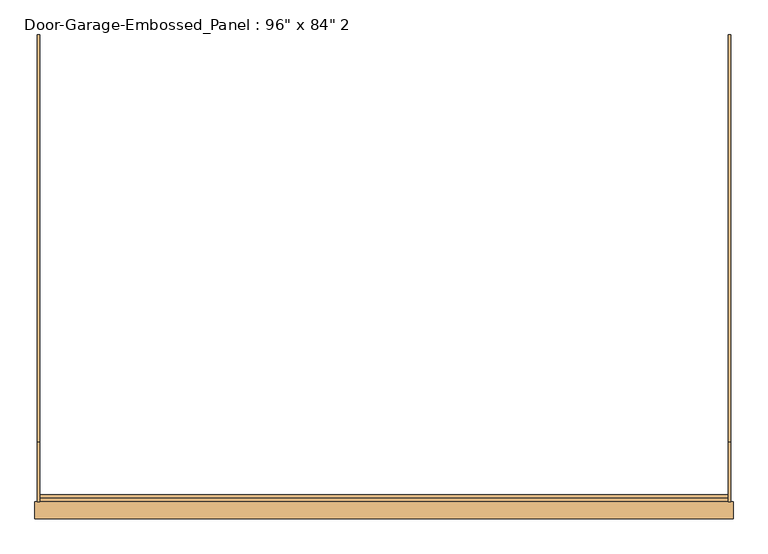
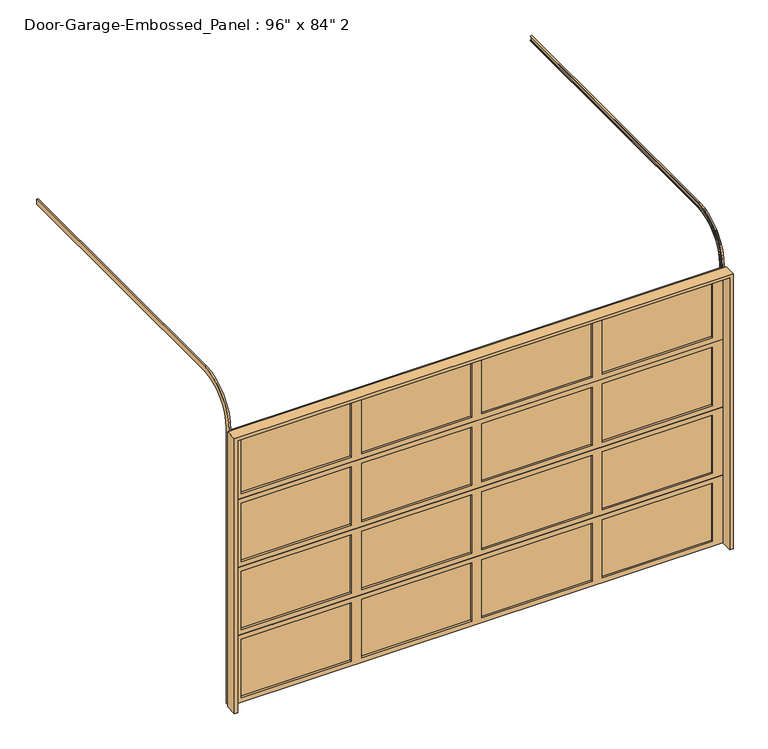
"""IFC4 building model written with IfcOpenShell, lengths in millimetres: door geometry."""

from ifc_helpers import new_model, si_unit, frame, origin, place, context, project, spatial, polyline, circle_curve, outline, extrude, faceted_brep, source, transform, mapped, element, save
from ifc_brep_helpers import plane_surface, cylinder_surface, revolved_surface, advanced_brep


def door_a3d343f7(model_context):
    return source(origin(), model_context, "Body", "SolidModel", [
        extrude(outline(polyline([(855.6625, 63.5), (38.1, 63.5), (38.1, 69.85), (855.6625, 69.85), (855.6625, 63.5)])), frame((0.0, 0.0, 1638.3), z_axis=(0.0, 0.0, 1.0), x_axis=(1.0, 0.0, 0.0)), (0.0, 0.0, 1.0), 457.2),
        extrude(outline(polyline([(-38.1, 63.5), (-855.6625, 63.5), (-855.6625, 69.85), (-38.1, 69.85), (-38.1, 63.5)])), frame((0.0, 0.0, 1638.3), z_axis=(0.0, 0.0, 1.0), x_axis=(1.0, 0.0, 0.0)), (0.0, 0.0, 1.0), 457.2),
        extrude(outline(polyline([(1749.425, 63.5), (931.8625, 63.5), (931.8625, 69.85), (1749.425, 69.85), (1749.425, 63.5)])), frame((0.0, 0.0, 1638.3), z_axis=(0.0, 0.0, 1.0), x_axis=(1.0, 0.0, 0.0)), (0.0, 0.0, 1.0), 457.2),
        extrude(outline(polyline([(-931.8625, 63.5), (-1749.425, 63.5), (-1749.425, 69.85), (-931.8625, 69.85), (-931.8625, 63.5)])), frame((0.0, 0.0, 1638.3), z_axis=(0.0, 0.0, 1.0), x_axis=(1.0, 0.0, 0.0)), (0.0, 0.0, 1.0), 457.2),
        faceted_brep([(1825.625, 69.85, 2136.775), (1825.625, 69.85, 2130.425), (1825.625, 47.625, 2130.425), (1825.625, 47.625, 1600.2), (1825.625, 63.5, 1600.2), (1825.625, 63.5, 1606.55), (1825.625, 85.725, 1606.55), (1825.625, 85.725, 2136.775), (-1825.625, 85.725, 2136.775), (-1825.625, 85.725, 1606.55), (-1825.625, 63.5, 1606.55), (-1825.625, 63.5, 1600.2), (-1825.625, 47.625, 1600.2), (-1825.625, 47.625, 2130.425), (-1825.625, 69.85, 2130.425), (-1825.625, 69.85, 2136.775), (931.8625, 85.725, 2095.5), (931.8625, 85.725, 1638.3), (1749.425, 85.725, 1638.3), (1749.425, 85.725, 2095.5), (-855.6625, 85.725, 2095.5), (-855.6625, 85.725, 1638.3), (-38.1, 85.725, 1638.3), (-38.1, 85.725, 2095.5), (38.1, 85.725, 2095.5), (38.1, 85.725, 1638.3), (855.6625, 85.725, 1638.3), (855.6625, 85.725, 2095.5), (-1749.425, 85.725, 2095.5), (-1749.425, 85.725, 1638.3), (-931.8625, 85.725, 1638.3), (-931.8625, 85.725, 2095.5), (1749.425, 47.625, 2095.5), (1749.425, 47.625, 1638.3), (931.8625, 47.625, 1638.3), (931.8625, 47.625, 2095.5), (-38.1, 47.625, 2095.5), (-38.1, 47.625, 1638.3), (-855.6625, 47.625, 1638.3), (-855.6625, 47.625, 2095.5), (855.6625, 47.625, 2095.5), (855.6625, 47.625, 1638.3), (38.1, 47.625, 1638.3), (38.1, 47.625, 2095.5), (-931.8625, 47.625, 2095.5), (-931.8625, 47.625, 1638.3), (-1749.425, 47.625, 1638.3), (-1749.425, 47.625, 2095.5)], [[[0, 1, 2, 3, 4, 5, 6, 7]], [[8, 9, 10, 11, 12, 13, 14, 15]], [[7, 8, 15, 0]], [[6, 9, 8, 7], [16, 17, 18, 19], [20, 21, 22, 23], [24, 25, 26, 27], [28, 29, 30, 31]], [[5, 10, 9, 6]], [[4, 11, 10, 5]], [[3, 12, 11, 4]], [[2, 13, 12, 3], [32, 33, 34, 35], [36, 37, 38, 39], [40, 41, 42, 43], [44, 45, 46, 47]], [[1, 14, 13, 2]], [[0, 15, 14, 1]], [[16, 19, 32, 35]], [[35, 34, 17, 16]], [[34, 33, 18, 17]], [[19, 18, 33, 32]], [[20, 23, 36, 39]], [[39, 38, 21, 20]], [[38, 37, 22, 21]], [[23, 22, 37, 36]], [[24, 27, 40, 43]], [[43, 42, 25, 24]], [[42, 41, 26, 25]], [[27, 26, 41, 40]], [[28, 31, 44, 47]], [[47, 46, 29, 28]], [[46, 45, 30, 29]], [[31, 30, 45, 44]]]),
        extrude(outline(polyline([(855.6625, 63.5), (38.1, 63.5), (38.1, 69.85), (855.6625, 69.85), (855.6625, 63.5)])), frame((0.0, 0.0, 1104.9), z_axis=(0.0, 0.0, 1.0), x_axis=(1.0, 0.0, 0.0)), (0.0, 0.0, 1.0), 457.2),
        extrude(outline(polyline([(-38.1, 63.5), (-855.6625, 63.5), (-855.6625, 69.85), (-38.1, 69.85), (-38.1, 63.5)])), frame((0.0, 0.0, 1104.9), z_axis=(0.0, 0.0, 1.0), x_axis=(1.0, 0.0, 0.0)), (0.0, 0.0, 1.0), 457.2),
        extrude(outline(polyline([(1749.425, 63.5), (931.8625, 63.5), (931.8625, 69.85), (1749.425, 69.85), (1749.425, 63.5)])), frame((0.0, 0.0, 1104.9), z_axis=(0.0, 0.0, 1.0), x_axis=(1.0, 0.0, 0.0)), (0.0, 0.0, 1.0), 457.2),
        extrude(outline(polyline([(-931.8625, 63.5), (-1749.425, 63.5), (-1749.425, 69.85), (-931.8625, 69.85), (-931.8625, 63.5)])), frame((0.0, 0.0, 1104.9), z_axis=(0.0, 0.0, 1.0), x_axis=(1.0, 0.0, 0.0)), (0.0, 0.0, 1.0), 457.2),
        faceted_brep([(1825.625, 69.85, 1603.375), (1825.625, 69.85, 1597.025), (1825.625, 47.625, 1597.025), (1825.625, 47.625, 1066.8), (1825.625, 63.5, 1066.8), (1825.625, 63.5, 1073.15), (1825.625, 85.725, 1073.15), (1825.625, 85.725, 1603.375), (-1825.625, 85.725, 1603.375), (-1825.625, 85.725, 1073.15), (-1825.625, 63.5, 1073.15), (-1825.625, 63.5, 1066.8), (-1825.625, 47.625, 1066.8), (-1825.625, 47.625, 1597.025), (-1825.625, 69.85, 1597.025), (-1825.625, 69.85, 1603.375), (931.8625, 85.725, 1562.1), (931.8625, 85.725, 1104.9), (1749.425, 85.725, 1104.9), (1749.425, 85.725, 1562.1), (-855.6625, 85.725, 1562.1), (-855.6625, 85.725, 1104.9), (-38.1, 85.725, 1104.9), (-38.1, 85.725, 1562.1), (38.1, 85.725, 1562.1), (38.1, 85.725, 1104.9), (855.6625, 85.725, 1104.9), (855.6625, 85.725, 1562.1), (-1749.425, 85.725, 1562.1), (-1749.425, 85.725, 1104.9), (-931.8625, 85.725, 1104.9), (-931.8625, 85.725, 1562.1), (1749.425, 47.625, 1562.1), (1749.425, 47.625, 1104.9), (931.8625, 47.625, 1104.9), (931.8625, 47.625, 1562.1), (-38.1, 47.625, 1562.1), (-38.1, 47.625, 1104.9), (-855.6625, 47.625, 1104.9), (-855.6625, 47.625, 1562.1), (855.6625, 47.625, 1562.1), (855.6625, 47.625, 1104.9), (38.1, 47.625, 1104.9), (38.1, 47.625, 1562.1), (-931.8625, 47.625, 1562.1), (-931.8625, 47.625, 1104.9), (-1749.425, 47.625, 1104.9), (-1749.425, 47.625, 1562.1)], [[[0, 1, 2, 3, 4, 5, 6, 7]], [[8, 9, 10, 11, 12, 13, 14, 15]], [[7, 8, 15, 0]], [[6, 9, 8, 7], [16, 17, 18, 19], [20, 21, 22, 23], [24, 25, 26, 27], [28, 29, 30, 31]], [[5, 10, 9, 6]], [[4, 11, 10, 5]], [[3, 12, 11, 4]], [[2, 13, 12, 3], [32, 33, 34, 35], [36, 37, 38, 39], [40, 41, 42, 43], [44, 45, 46, 47]], [[1, 14, 13, 2]], [[0, 15, 14, 1]], [[16, 19, 32, 35]], [[35, 34, 17, 16]], [[34, 33, 18, 17]], [[19, 18, 33, 32]], [[20, 23, 36, 39]], [[39, 38, 21, 20]], [[38, 37, 22, 21]], [[23, 22, 37, 36]], [[24, 27, 40, 43]], [[43, 42, 25, 24]], [[42, 41, 26, 25]], [[27, 26, 41, 40]], [[28, 31, 44, 47]], [[47, 46, 29, 28]], [[46, 45, 30, 29]], [[31, 30, 45, 44]]]),
        extrude(outline(polyline([(855.6625, 63.5), (38.1, 63.5), (38.1, 69.85), (855.6625, 69.85), (855.6625, 63.5)])), frame((0.0, 0.0, 571.5), z_axis=(0.0, 0.0, 1.0), x_axis=(1.0, 0.0, 0.0)), (0.0, 0.0, 1.0), 457.2),
        extrude(outline(polyline([(-38.1, 63.5), (-855.6625, 63.5), (-855.6625, 69.85), (-38.1, 69.85), (-38.1, 63.5)])), frame((0.0, 0.0, 571.5), z_axis=(0.0, 0.0, 1.0), x_axis=(1.0, 0.0, 0.0)), (0.0, 0.0, 1.0), 457.2),
        extrude(outline(polyline([(1749.425, 63.5), (931.8625, 63.5), (931.8625, 69.85), (1749.425, 69.85), (1749.425, 63.5)])), frame((0.0, 0.0, 571.5), z_axis=(0.0, 0.0, 1.0), x_axis=(1.0, 0.0, 0.0)), (0.0, 0.0, 1.0), 457.2),
        extrude(outline(polyline([(-931.8625, 63.5), (-1749.425, 63.5), (-1749.425, 69.85), (-931.8625, 69.85), (-931.8625, 63.5)])), frame((0.0, 0.0, 571.5), z_axis=(0.0, 0.0, 1.0), x_axis=(1.0, 0.0, 0.0)), (0.0, 0.0, 1.0), 457.2),
        faceted_brep([(1825.625, 69.85, 1069.975), (1825.625, 69.85, 1063.625), (1825.625, 47.625, 1063.625), (1825.625, 47.625, 533.4), (1825.625, 63.5, 533.4), (1825.625, 63.5, 539.75), (1825.625, 85.725, 539.75), (1825.625, 85.725, 1069.975), (-1825.625, 85.725, 1069.975), (-1825.625, 85.725, 539.75), (-1825.625, 63.5, 539.75), (-1825.625, 63.5, 533.4), (-1825.625, 47.625, 533.4), (-1825.625, 47.625, 1063.625), (-1825.625, 69.85, 1063.625), (-1825.625, 69.85, 1069.975), (931.8625, 85.725, 1028.7), (931.8625, 85.725, 571.5), (1749.425, 85.725, 571.5), (1749.425, 85.725, 1028.7), (-855.6625, 85.725, 1028.7), (-855.6625, 85.725, 571.5), (-38.1, 85.725, 571.5), (-38.1, 85.725, 1028.7), (38.1, 85.725, 1028.7), (38.1, 85.725, 571.5), (855.6625, 85.725, 571.5), (855.6625, 85.725, 1028.7), (-1749.425, 85.725, 1028.7), (-1749.425, 85.725, 571.5), (-931.8625, 85.725, 571.5), (-931.8625, 85.725, 1028.7), (1749.425, 47.625, 1028.7), (1749.425, 47.625, 571.5), (931.8625, 47.625, 571.5), (931.8625, 47.625, 1028.7), (-38.1, 47.625, 1028.7), (-38.1, 47.625, 571.5), (-855.6625, 47.625, 571.5), (-855.6625, 47.625, 1028.7), (855.6625, 47.625, 1028.7), (855.6625, 47.625, 571.5), (38.1, 47.625, 571.5), (38.1, 47.625, 1028.7), (-931.8625, 47.625, 1028.7), (-931.8625, 47.625, 571.5), (-1749.425, 47.625, 571.5), (-1749.425, 47.625, 1028.7)], [[[0, 1, 2, 3, 4, 5, 6, 7]], [[8, 9, 10, 11, 12, 13, 14, 15]], [[7, 8, 15, 0]], [[6, 9, 8, 7], [16, 17, 18, 19], [20, 21, 22, 23], [24, 25, 26, 27], [28, 29, 30, 31]], [[5, 10, 9, 6]], [[4, 11, 10, 5]], [[3, 12, 11, 4]], [[2, 13, 12, 3], [32, 33, 34, 35], [36, 37, 38, 39], [40, 41, 42, 43], [44, 45, 46, 47]], [[1, 14, 13, 2]], [[0, 15, 14, 1]], [[16, 19, 32, 35]], [[35, 34, 17, 16]], [[34, 33, 18, 17]], [[19, 18, 33, 32]], [[20, 23, 36, 39]], [[39, 38, 21, 20]], [[38, 37, 22, 21]], [[23, 22, 37, 36]], [[24, 27, 40, 43]], [[43, 42, 25, 24]], [[42, 41, 26, 25]], [[27, 26, 41, 40]], [[28, 31, 44, 47]], [[47, 46, 29, 28]], [[46, 45, 30, 29]], [[31, 30, 45, 44]]]),
        extrude(outline(polyline([(855.6625, 63.5), (38.1, 63.5), (38.1, 69.85), (855.6625, 69.85), (855.6625, 63.5)])), frame((0.0, 0.0, 38.1), z_axis=(0.0, 0.0, 1.0), x_axis=(1.0, 0.0, 0.0)), (0.0, 0.0, 1.0), 457.2),
        extrude(outline(polyline([(-38.1, 63.5), (-855.6625, 63.5), (-855.6625, 69.85), (-38.1, 69.85), (-38.1, 63.5)])), frame((0.0, 0.0, 38.1), z_axis=(0.0, 0.0, 1.0), x_axis=(1.0, 0.0, 0.0)), (0.0, 0.0, 1.0), 457.2),
        extrude(outline(polyline([(1749.425, 63.5), (931.8625, 63.5), (931.8625, 69.85), (1749.425, 69.85), (1749.425, 63.5)])), frame((0.0, 0.0, 38.1), z_axis=(0.0, 0.0, 1.0), x_axis=(1.0, 0.0, 0.0)), (0.0, 0.0, 1.0), 457.2),
        extrude(outline(polyline([(-931.8625, 63.5), (-1749.425, 63.5), (-1749.425, 69.85), (-931.8625, 69.85), (-931.8625, 63.5)])), frame((0.0, 0.0, 38.1), z_axis=(0.0, 0.0, 1.0), x_axis=(1.0, 0.0, 0.0)), (0.0, 0.0, 1.0), 457.2),
        faceted_brep([(1825.625, 69.85, 536.575), (1825.625, 69.85, 530.225), (1825.625, 47.625, 530.225), (1825.625, 47.625, 0.0), (1825.625, 63.5, 0.0), (1825.625, 63.5, 6.35), (1825.625, 85.725, 6.35), (1825.625, 85.725, 536.575), (-1825.625, 85.725, 536.575), (-1825.625, 85.725, 6.35), (-1825.625, 63.5, 6.35), (-1825.625, 63.5, 0.0), (-1825.625, 47.625, 0.0), (-1825.625, 47.625, 530.225), (-1825.625, 69.85, 530.225), (-1825.625, 69.85, 536.575), (931.8625, 85.725, 495.3), (931.8625, 85.725, 38.1), (1749.425, 85.725, 38.1), (1749.425, 85.725, 495.3), (-855.6625, 85.725, 495.3), (-855.6625, 85.725, 38.1), (-38.1, 85.725, 38.1), (-38.1, 85.725, 495.3), (38.1, 85.725, 495.3), (38.1, 85.725, 38.1), (855.6625, 85.725, 38.1), (855.6625, 85.725, 495.3), (-1749.425, 85.725, 495.3), (-1749.425, 85.725, 38.1), (-931.8625, 85.725, 38.1), (-931.8625, 85.725, 495.3), (1749.425, 47.625, 495.3), (1749.425, 47.625, 38.1), (931.8625, 47.625, 38.1), (931.8625, 47.625, 495.3), (-38.1, 47.625, 495.3), (-38.1, 47.625, 38.1), (-855.6625, 47.625, 38.1), (-855.6625, 47.625, 495.3), (855.6625, 47.625, 495.3), (855.6625, 47.625, 38.1), (38.1, 47.625, 38.1), (38.1, 47.625, 495.3), (-931.8625, 47.625, 495.3), (-931.8625, 47.625, 38.1), (-1749.425, 47.625, 38.1), (-1749.425, 47.625, 495.3)], [[[0, 1, 2, 3, 4, 5, 6, 7]], [[8, 9, 10, 11, 12, 13, 14, 15]], [[7, 8, 15, 0]], [[6, 9, 8, 7], [16, 17, 18, 19], [20, 21, 22, 23], [24, 25, 26, 27], [28, 29, 30, 31]], [[5, 10, 9, 6]], [[4, 11, 10, 5]], [[3, 12, 11, 4]], [[2, 13, 12, 3], [32, 33, 34, 35], [36, 37, 38, 39], [40, 41, 42, 43], [44, 45, 46, 47]], [[1, 14, 13, 2]], [[0, 15, 14, 1]], [[16, 19, 32, 35]], [[35, 34, 17, 16]], [[34, 33, 18, 17]], [[19, 18, 33, 32]], [[20, 23, 36, 39]], [[39, 38, 21, 20]], [[38, 37, 22, 21]], [[23, 22, 37, 36]], [[24, 27, 40, 43]], [[43, 42, 25, 24]], [[42, 41, 26, 25]], [[27, 26, 41, 40]], [[28, 31, 44, 47]], [[47, 46, 29, 28]], [[46, 45, 30, 29]], [[31, 30, 45, 44]]]),
        advanced_brep(
        [(1838.325, 85.725, 0.0), (1838.325, 47.625, 0.0), (1825.625, 47.625, 0.0), (1825.625, 50.8, 0.0), (1835.15, 50.8, 0.0), (1835.15, 82.55, 0.0), (1825.625, 82.55, 0.0), (1825.625, 85.725, 0.0), (1825.625, 85.725, 2159.0), (1838.325, 85.725, 2159.0), (1825.625, 82.55, 2159.0), (1825.625, 365.125, 2441.575), (1825.625, 2524.125, 2441.575), (1825.625, 2524.125, 2438.4), (1825.625, 365.125, 2438.4), (1835.15, 82.55, 2159.0), (1835.15, 50.8, 2159.0), (1835.15, 365.125, 2473.325), (1835.15, 2524.125, 2473.325), (1835.15, 2524.125, 2441.575), (1835.15, 365.125, 2441.575), (1825.625, 50.8, 2159.0), (1825.625, 47.625, 2159.0), (1825.625, 365.125, 2476.5), (1825.625, 2524.125, 2476.5), (1825.625, 2524.125, 2473.325), (1825.625, 365.125, 2473.325), (1838.325, 47.625, 2159.0), (1838.325, 365.125, 2438.4), (1838.325, 2524.125, 2438.4), (1838.325, 2524.125, 2476.5), (1838.325, 365.125, 2476.5)],
        [
            (0, 1),
            (1, 2),
            (2, 3),
            (3, 4),
            (4, 5),
            (5, 6),
            (6, 7),
            (7, 0),
            (7, 8),
            (8, 9),
            (9, 0),
            (6, 10),
            (10, 11, circle_curve(frame((1825.625, 365.125, 2159.0), z_axis=(-1.0, 0.0, 0.0), x_axis=(0.0, -1.0, 0.0)), 282.575)),
            (11, 12),
            (12, 13),
            (13, 14),
            (14, 8, circle_curve(frame((1825.625, 365.125, 2159.0), z_axis=(1.0, 0.0, 0.0), x_axis=(0.0, -1.0, 0.0)), 279.4)),
            (5, 15),
            (15, 10),
            (4, 16),
            (16, 17, circle_curve(frame((1835.15, 365.125, 2159.0), z_axis=(-1.0, 0.0, 0.0), x_axis=(0.0, -1.0, 0.0)), 314.325)),
            (17, 18),
            (18, 19),
            (19, 20),
            (20, 15, circle_curve(frame((1835.15, 365.125, 2159.0), z_axis=(1.0, 0.0, 0.0), x_axis=(0.0, -1.0, 0.0)), 282.575)),
            (3, 21),
            (21, 16),
            (2, 22),
            (22, 23, circle_curve(frame((1825.625, 365.125, 2159.0), z_axis=(-1.0, 0.0, 0.0), x_axis=(0.0, -1.0, 0.0)), 317.5)),
            (23, 24),
            (24, 25),
            (25, 26),
            (26, 21, circle_curve(frame((1825.625, 365.125, 2159.0), z_axis=(1.0, 0.0, 0.0), x_axis=(0.0, -1.0, 0.0)), 314.325)),
            (1, 27),
            (27, 22),
            (9, 28, circle_curve(frame((1838.325, 365.125, 2159.0), z_axis=(-1.0, 0.0, 0.0), x_axis=(0.0, -1.0, 0.0)), 279.4)),
            (28, 29),
            (29, 30),
            (30, 31),
            (31, 27, circle_curve(frame((1838.325, 365.125, 2159.0), z_axis=(1.0, 0.0, 0.0), x_axis=(0.0, -1.0, 0.0)), 317.5)),
            (14, 28),
            (20, 11),
            (26, 17),
            (31, 23),
            (29, 13),
            (12, 19),
            (18, 25),
            (24, 30),
        ],
        [
            plane_surface(frame((0.0, 85.725, 0.0), z_axis=(0.0, 0.0, -1.0), x_axis=(1.0, 0.0, 0.0))),
            plane_surface(frame((1838.325, 85.725, 0.0), z_axis=(0.0, 1.0, 0.0), x_axis=(0.0, 0.0, 1.0))),
            plane_surface(frame((1825.625, 85.725, 0.0), z_axis=(-1.0, 0.0, 0.0), x_axis=(0.0, 0.0, 1.0))),
            plane_surface(frame((1825.625, 82.55, 0.0), z_axis=(0.0, -1.0, 0.0), x_axis=(0.0, 0.0, 1.0))),
            plane_surface(frame((1835.15, 82.55, 0.0), z_axis=(-1.0, 0.0, 0.0), x_axis=(0.0, 0.0, 1.0))),
            plane_surface(frame((1835.15, 50.8, 0.0), z_axis=(0.0, 1.0, 0.0), x_axis=(0.0, 0.0, 1.0))),
            plane_surface(frame((1825.625, 50.8, 0.0), z_axis=(-1.0, 0.0, 0.0), x_axis=(0.0, 0.0, 1.0))),
            plane_surface(frame((1825.625, 47.625, 0.0), z_axis=(0.0, -1.0, 0.0), x_axis=(0.0, 0.0, 1.0))),
            plane_surface(frame((1838.325, 47.625, 0.0), z_axis=(1.0, 0.0, 0.0), x_axis=(0.0, 0.0, 1.0))),
            revolved_surface(polyline([(1838.325, 85.72500000000002, 2159.0), (1825.625, 85.72500000000002, 2159.0)]), (0.0, 365.125, 2159.0), (1.0, 0.0, 0.0)),
            cylinder_surface(frame((0.0, 365.125, 2159.0), z_axis=(1.0, 0.0, 0.0), x_axis=(0.0, -1.0, 0.0)), 282.575),
            revolved_surface(polyline([(1835.15, 50.80000000000001, 2159.0), (1825.625, 50.80000000000001, 2159.0)]), (0.0, 365.125, 2159.0), (1.0, 0.0, 0.0)),
            cylinder_surface(frame((0.0, 365.125, 2159.0), z_axis=(1.0, 0.0, 0.0), x_axis=(0.0, -1.0, 0.0)), 317.5),
            plane_surface(frame((0.0, 2524.125, 2438.4), z_axis=(0.0, 1.0, 0.0), x_axis=(1.0, 0.0, 0.0))),
            plane_surface(frame((1838.325, 365.125, 2438.4), z_axis=(0.0, 0.0, -1.0), x_axis=(0.0, 1.0, 0.0))),
            plane_surface(frame((1825.625, 365.125, 2441.575), z_axis=(0.0, 0.0, 1.0), x_axis=(0.0, 1.0, 0.0))),
            plane_surface(frame((1835.15, 365.125, 2473.325), z_axis=(0.0, 0.0, -1.0), x_axis=(0.0, 1.0, 0.0))),
            plane_surface(frame((1825.625, 365.125, 2476.5), z_axis=(0.0, 0.0, 1.0), x_axis=(0.0, 1.0, 0.0))),
        ],
        [
            (0, [[1, 2, 3, 4, 5, 6, 7, 8]]),
            (1, [[9, 10, 11, -8]]),
            (2, [[12, 13, 14, 15, 16, 17, -9, -7]]),
            (3, [[18, 19, -12, -6]]),
            (4, [[20, 21, 22, 23, 24, 25, -18, -5]]),
            (5, [[26, 27, -20, -4]]),
            (6, [[28, 29, 30, 31, 32, 33, -26, -3]]),
            (7, [[34, 35, -28, -2]]),
            (8, [[-11, 36, 37, 38, 39, 40, -34, -1]]),
            (9, [[41, -36, -10, -17]]),
            (10, [[42, -13, -19, -25]]),
            (11, [[43, -21, -27, -33]]),
            (12, [[44, -29, -35, -40]]),
            (13, [[45, -15, 46, -23, 47, -31, 48, -38]]),
            (14, [[-16, -45, -37, -41]]),
            (15, [[-24, -46, -14, -42]]),
            (16, [[-32, -47, -22, -43]]),
            (17, [[-39, -48, -30, -44]]),
        ],
    ),
        advanced_brep(
        [(-1838.325, 85.725, 0.0), (-1825.625, 85.725, 0.0), (-1825.625, 82.55, 0.0), (-1835.15, 82.55, 0.0), (-1835.15, 50.8, 0.0), (-1825.625, 50.8, 0.0), (-1825.625, 47.625, 0.0), (-1838.325, 47.625, 0.0), (-1838.325, 47.625, 2159.0), (-1838.325, 365.125, 2476.5), (-1838.325, 2524.125, 2476.5), (-1838.325, 2524.125, 2438.4), (-1838.325, 365.125, 2438.4), (-1838.325, 85.725, 2159.0), (-1825.625, 47.625, 2159.0), (-1825.625, 50.8, 2159.0), (-1825.625, 365.125, 2473.325), (-1825.625, 2524.125, 2473.325), (-1825.625, 2524.125, 2476.5), (-1825.625, 365.125, 2476.5), (-1835.15, 50.8, 2159.0), (-1835.15, 82.55, 2159.0), (-1835.15, 365.125, 2441.575), (-1835.15, 2524.125, 2441.575), (-1835.15, 2524.125, 2473.325), (-1835.15, 365.125, 2473.325), (-1825.625, 82.55, 2159.0), (-1825.625, 85.725, 2159.0), (-1825.625, 365.125, 2438.4), (-1825.625, 2524.125, 2438.4), (-1825.625, 2524.125, 2441.575), (-1825.625, 365.125, 2441.575)],
        [
            (0, 1),
            (1, 2),
            (2, 3),
            (3, 4),
            (4, 5),
            (5, 6),
            (6, 7),
            (7, 0),
            (7, 8),
            (8, 9, circle_curve(frame((-1838.325, 365.125, 2159.0), z_axis=(-1.0, 0.0, 0.0), x_axis=(0.0, -1.0, 0.0)), 317.5)),
            (9, 10),
            (10, 11),
            (11, 12),
            (12, 13, circle_curve(frame((-1838.325, 365.125, 2159.0), z_axis=(1.0, 0.0, 0.0), x_axis=(0.0, -1.0, 0.0)), 279.4)),
            (13, 0),
            (6, 14),
            (14, 8),
            (5, 15),
            (15, 16, circle_curve(frame((-1825.625, 365.125, 2159.0), z_axis=(-1.0, 0.0, 0.0), x_axis=(0.0, -1.0, 0.0)), 314.325)),
            (16, 17),
            (17, 18),
            (18, 19),
            (19, 14, circle_curve(frame((-1825.625, 365.125, 2159.0), z_axis=(1.0, 0.0, 0.0), x_axis=(0.0, -1.0, 0.0)), 317.5)),
            (4, 20),
            (20, 15),
            (3, 21),
            (21, 22, circle_curve(frame((-1835.15, 365.125, 2159.0), z_axis=(-1.0, 0.0, 0.0), x_axis=(0.0, -1.0, 0.0)), 282.575)),
            (22, 23),
            (23, 24),
            (24, 25),
            (25, 20, circle_curve(frame((-1835.15, 365.125, 2159.0), z_axis=(1.0, 0.0, 0.0), x_axis=(0.0, -1.0, 0.0)), 314.325)),
            (2, 26),
            (26, 21),
            (1, 27),
            (27, 28, circle_curve(frame((-1825.625, 365.125, 2159.0), z_axis=(-1.0, 0.0, 0.0), x_axis=(0.0, -1.0, 0.0)), 279.4)),
            (28, 29),
            (29, 30),
            (30, 31),
            (31, 26, circle_curve(frame((-1825.625, 365.125, 2159.0), z_axis=(1.0, 0.0, 0.0), x_axis=(0.0, -1.0, 0.0)), 282.575)),
            (13, 27),
            (19, 9),
            (25, 16),
            (31, 22),
            (12, 28),
            (10, 18),
            (17, 24),
            (23, 30),
            (29, 11),
        ],
        [
            plane_surface(frame((0.0, 85.725, 0.0), z_axis=(0.0, 0.0, -1.0), x_axis=(1.0, 0.0, 0.0))),
            plane_surface(frame((-1838.325, 85.725, 0.0), z_axis=(-1.0, 0.0, 0.0), x_axis=(0.0, 0.0, 1.0))),
            plane_surface(frame((-1838.325, 47.625, 0.0), z_axis=(0.0, -1.0, 0.0), x_axis=(0.0, 0.0, 1.0))),
            plane_surface(frame((-1825.625, 47.625, 0.0), z_axis=(1.0, 0.0, 0.0), x_axis=(0.0, 0.0, 1.0))),
            plane_surface(frame((-1825.625, 50.8, 0.0), z_axis=(0.0, 1.0, 0.0), x_axis=(0.0, 0.0, 1.0))),
            plane_surface(frame((-1835.15, 50.8, 0.0), z_axis=(1.0, 0.0, 0.0), x_axis=(0.0, 0.0, 1.0))),
            plane_surface(frame((-1835.15, 82.55, 0.0), z_axis=(0.0, -1.0, 0.0), x_axis=(0.0, 0.0, 1.0))),
            plane_surface(frame((-1825.625, 82.55, 0.0), z_axis=(1.0, 0.0, 0.0), x_axis=(0.0, 0.0, 1.0))),
            plane_surface(frame((-1825.625, 85.725, 0.0), z_axis=(0.0, 1.0, 0.0), x_axis=(0.0, 0.0, 1.0))),
            cylinder_surface(frame((0.0, 365.125, 2159.0), z_axis=(1.0, 0.0, 0.0), x_axis=(0.0, -1.0, 0.0)), 317.5),
            revolved_surface(polyline([(-1825.625, 50.80000000000001, 2159.0), (-1835.15, 50.80000000000001, 2159.0)]), (0.0, 365.125, 2159.0), (1.0, 0.0, 0.0)),
            cylinder_surface(frame((0.0, 365.125, 2159.0), z_axis=(1.0, 0.0, 0.0), x_axis=(0.0, -1.0, 0.0)), 282.575),
            revolved_surface(polyline([(-1825.625, 85.72500000000002, 2159.0), (-1838.325, 85.72500000000002, 2159.0)]), (0.0, 365.125, 2159.0), (1.0, 0.0, 0.0)),
            plane_surface(frame((0.0, 2524.125, 2438.4), z_axis=(0.0, 1.0, 0.0), x_axis=(1.0, 0.0, 0.0))),
            plane_surface(frame((-1838.325, 365.125, 2476.5), z_axis=(0.0, 0.0, 1.0), x_axis=(0.0, 1.0, 0.0))),
            plane_surface(frame((-1825.625, 365.125, 2473.325), z_axis=(0.0, 0.0, -1.0), x_axis=(0.0, 1.0, 0.0))),
            plane_surface(frame((-1835.15, 365.125, 2441.575), z_axis=(0.0, 0.0, 1.0), x_axis=(0.0, 1.0, 0.0))),
            plane_surface(frame((-1825.625, 365.125, 2438.4), z_axis=(0.0, 0.0, -1.0), x_axis=(0.0, 1.0, 0.0))),
        ],
        [
            (0, [[1, 2, 3, 4, 5, 6, 7, 8]]),
            (1, [[9, 10, 11, 12, 13, 14, 15, -8]]),
            (2, [[16, 17, -9, -7]]),
            (3, [[18, 19, 20, 21, 22, 23, -16, -6]]),
            (4, [[24, 25, -18, -5]]),
            (5, [[26, 27, 28, 29, 30, 31, -24, -4]]),
            (6, [[32, 33, -26, -3]]),
            (7, [[34, 35, 36, 37, 38, 39, -32, -2]]),
            (8, [[-15, 40, -34, -1]]),
            (9, [[41, -10, -17, -23]]),
            (10, [[42, -19, -25, -31]]),
            (11, [[43, -27, -33, -39]]),
            (12, [[44, -35, -40, -14]]),
            (13, [[-12, 45, -21, 46, -29, 47, -37, 48]]),
            (14, [[-22, -45, -11, -41]]),
            (15, [[-30, -46, -20, -42]]),
            (16, [[-38, -47, -28, -43]]),
            (17, [[-13, -48, -36, -44]]),
        ],
    ),
        extrude(outline(polyline([(0.0, 1851.025), (2159.0, 1851.025), (2159.0, -1851.025), (0.0, -1851.025), (0.0, -1825.625), (2133.6, -1825.625), (2133.6, 1825.625), (0.0, 1825.625), (0.0, 1851.025)])), frame((0.0, -41.275, 0.0), z_axis=(0.0, 1.0, 0.0), x_axis=(0.0, 0.0, 1.0)), (0.0, 0.0, 1.0), 88.9),
    ])


if __name__ == "__main__":
    model = new_model("IFC4")
    model_context = context("Model", 3, world=origin())
    ifc_project = project(units=[si_unit("LENGTHUNIT", "METRE", prefix="MILLI")], contexts=[model_context])
    site = spatial("IfcSite", under=ifc_project)
    building = spatial("IfcBuilding", under=site)
    placement = place(None, origin())
    door_shape = door_a3d343f7(model_context)
    element("IfcDoor", 1, ObjectType="Door-Garage-Embossed_Panel : 96\" x 84\" 2", at=placement, inside=building, context=model_context, shape_type="MappedRepresentation", body=[
        mapped(door_shape, transform((0.0, 0.0, 0.0), x_axis=(1.0, 0.0, 0.0), y_axis=(0.0, 1.0, 0.0), z_axis=(0.0, 0.0, 1.0))),
    ])
    save(model, "model.ifc")
